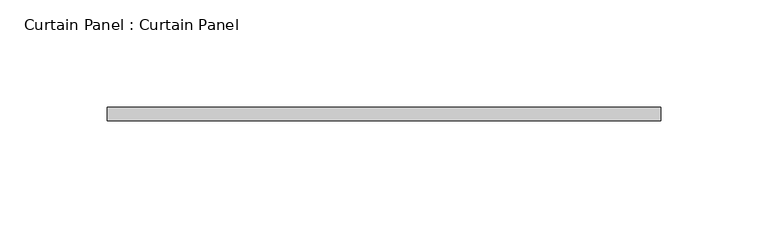
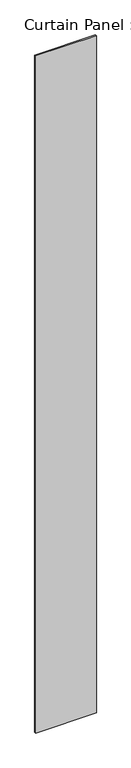
"""IFC4 building model written with IfcOpenShell, lengths in millimetres: plate geometry, Curtain Panel : Curtain Panel."""

from ifc_helpers import new_model, si_unit, origin, origin_with_axes, place, context, project, spatial, polyline, outline, extrude, source, transform, mapped, element, save


def curtain_panel_curtain_panel_be75020d(model_context):
    return source(origin(), model_context, "Body", "SweptSolid", [
        extrude(outline(polyline([(346464.1159445, 1504.4574888), (346722.8784445, 1504.4574888), (346722.8784445, 1498.1074888), (346464.1159445, 1498.1074888), (346464.1159445, 1504.4574888)])), origin_with_axes(), (0.0, 0.0, 1.0), 3048.0),
    ])


if __name__ == "__main__":
    model = new_model("IFC4")
    model_context = context("Model", 3, world=origin())
    ifc_project = project(units=[si_unit("LENGTHUNIT", "METRE", prefix="MILLI")], contexts=[model_context])
    site = spatial("IfcSite", under=ifc_project)
    building = spatial("IfcBuilding", under=site)
    placement = place(None, origin())
    curtain_panel_curtain_panel_shape = curtain_panel_curtain_panel_be75020d(model_context)
    element("IfcPlate", 1, ObjectType="Curtain Panel : Curtain Panel", at=placement, inside=building, context=model_context, shape_type="MappedRepresentation", body=[
        mapped(curtain_panel_curtain_panel_shape, transform((0.0, 0.0, 0.0), x_axis=(1.0, 0.0, 0.0), y_axis=(0.0, 1.0, 0.0), z_axis=(0.0, 0.0, 1.0))),
    ])
    save(model, "model.ifc")
